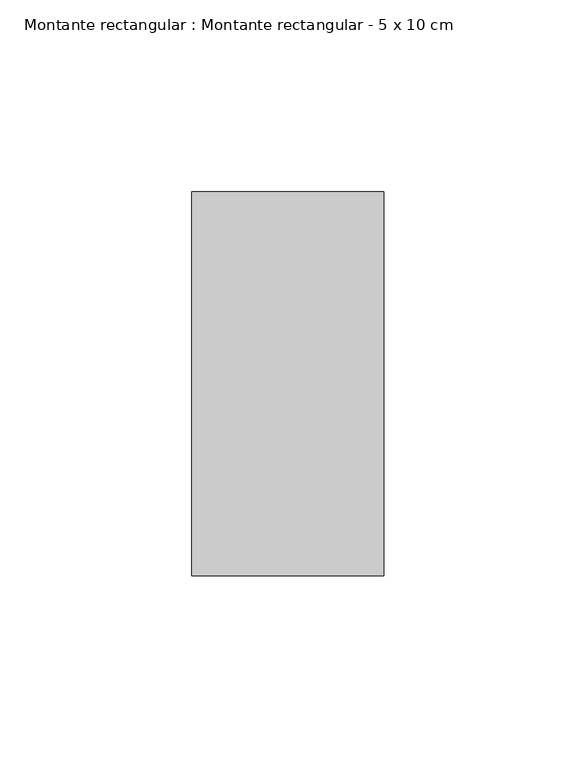
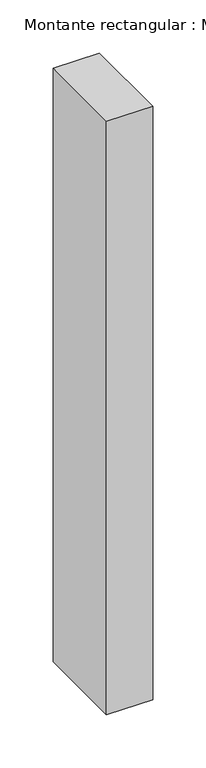
"""IFC4 building model written with IfcOpenShell, lengths in millimetres: member geometry, Montante rectangular : Montante rectangular - 5 x 10 cm."""

from ifc_helpers import new_model, si_unit, frame, origin, place, context, project, spatial, polyline, outline, extrude, source, transform, mapped, element, save


def montante_rectangular_montante_rectangular_5_x_10_cm_359fa55d(model_context):
    return source(origin(), model_context, "Body", "SweptSolid", [
        extrude(outline(polyline([(-50.0, 50.0), (0.0, 50.0), (0.0, -50.0), (-50.0, -50.0), (-50.0, 50.0)])), frame((0.0, 0.0, -680.5935957), z_axis=(0.0, 0.0, 1.0), x_axis=(1.0, 0.0, 0.0)), (0.0, 0.0, 1.0), 680.5935957),
    ])


if __name__ == "__main__":
    model = new_model("IFC4")
    model_context = context("Model", 3, world=origin())
    ifc_project = project(units=[si_unit("LENGTHUNIT", "METRE", prefix="MILLI")], contexts=[model_context])
    site = spatial("IfcSite", under=ifc_project)
    building = spatial("IfcBuilding", under=site)
    placement = place(None, origin())
    montante_rectangular_montante_rectangular_5_x_10_cm_shape = montante_rectangular_montante_rectangular_5_x_10_cm_359fa55d(model_context)
    element("IfcMember", 1, ObjectType="Montante rectangular : Montante rectangular - 5 x 10 cm", at=placement, inside=building, context=model_context, shape_type="MappedRepresentation", body=[
        mapped(montante_rectangular_montante_rectangular_5_x_10_cm_shape, transform((0.0, 0.0, 0.0), x_axis=(1.0, 0.0, 0.0), y_axis=(0.0, 1.0, 0.0), z_axis=(0.0, 0.0, 1.0))),
    ])
    save(model, "model.ifc")
